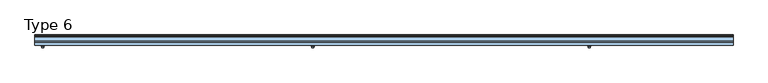
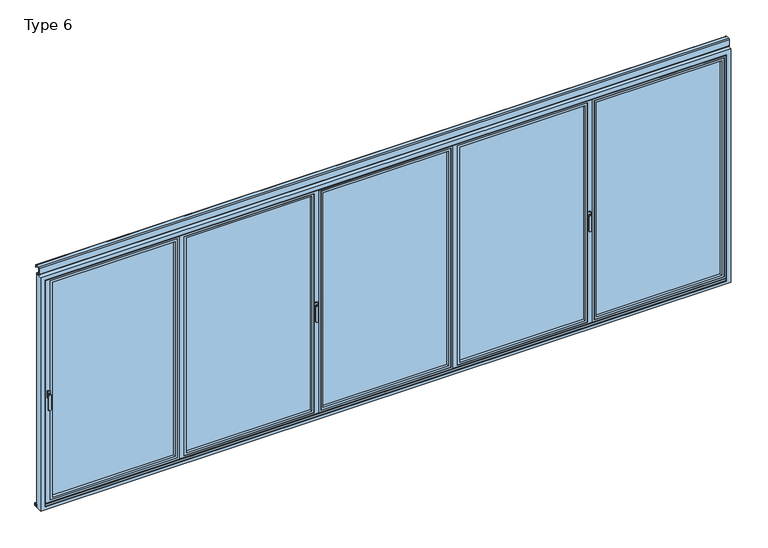
"""IFC4 building model written with IfcOpenShell, lengths in millimetres: window geometry, Type 6."""

from ifc_helpers import new_model, si_unit, point, frame, frame_2d, origin, place, context, project, spatial, polyline, circle_curve, trimmed, segment, composite_curve, outline, extrude, faceted_brep, source, transform, mapped, element, save
from ifc_brep_helpers import plane_surface, revolved_surface, advanced_brep


def type_6_9478b63a(model_context):
    return source(origin(), model_context, "Body", "SolidModel", [
        advanced_brep(
        [(-2914.0, 104.0, 896.6867153), (-2932.0, 104.0, 896.6867153), (-2932.0, 104.0, 1028.0), (-2914.0, 104.0, 1028.0), (-2913.0, 96.5, 896.6867153), (-2913.0, 96.5, 1028.0), (-2933.0, 96.5, 1028.0), (-2933.0, 96.5, 896.6867153), (-2912.0, 89.0, 1028.0), (-2934.0, 89.0, 1028.0)],
        [
            (0, 1, circle_curve(frame((-2923.0, 104.0, 896.6867153), z_axis=(0.0, 1.0, 0.0), x_axis=(1.0, 0.0, 0.0)), 9.0)),
            (1, 2),
            (2, 3, circle_curve(frame((-2923.0, 104.0, 1028.0), z_axis=(0.0, 1.0, 0.0), x_axis=(-1.0, 0.0, 0.0)), 9.0)),
            (3, 0),
            (4, 5),
            (5, 6, circle_curve(frame((-2923.0, 96.5, 1028.0), z_axis=(0.0, 1.0, 0.0), x_axis=(-1.0, 0.0, 0.0)), 10.0)),
            (6, 7),
            (7, 4, circle_curve(frame((-2923.0, 96.5, 896.6867153), z_axis=(0.0, -1.0, 0.0), x_axis=(1.0, 0.0, 0.0)), 10.0)),
            (0, 4),
            (7, 1),
            (6, 2),
            (6, 5, circle_curve(frame((-2923.0, 96.5, 1028.0), z_axis=(0.0, 1.0, 0.0), x_axis=(-1.0, 0.0, 0.0)), 10.0)),
            (5, 3),
            (8, 9, circle_curve(frame((-2923.0, 89.0, 1028.0), z_axis=(0.0, -1.0, 0.0), x_axis=(1.0, 0.0, 0.0)), 11.0)),
            (9, 8, circle_curve(frame((-2923.0, 89.0, 1028.0), z_axis=(0.0, -1.0, 0.0), x_axis=(-1.0, 0.0, 0.0)), 11.0)),
            (8, 5),
            (6, 9),
        ],
        [
            plane_surface(frame((-2923.0, 104.0, 962.3433576), z_axis=(0.0, 1.0, 0.0), x_axis=(0.0, 0.0, -1.0))),
            plane_surface(frame((-2923.0, 96.5, 962.3433576), z_axis=(0.0, -1.0, 0.0), x_axis=(0.0, 0.0, -1.0))),
            revolved_surface(polyline([(-2914.0, 104.0, 896.6867153), (-2913.0, 96.5, 896.6867153)]), (-2923.0, 171.5, 896.6867153), (0.0, -1.0, 0.0)),
            plane_surface(frame((-2933.0, 96.5, 962.3433576), z_axis=(-0.9912279006826299, 0.13216372009105404, 0.0), x_axis=(0.0, 0.0, 1.0))),
            revolved_surface(polyline([(-2932.0, 104.0, 1028.0), (-2933.0, 96.5, 1028.0)]), (-2923.0, 171.5, 1028.0), (0.0, -1.0, 0.0)),
            plane_surface(frame((-2913.0, 96.5, 962.3433576), z_axis=(0.9912279006826269, 0.1321637200910767, 0.0), x_axis=(0.0, 0.0, -1.0))),
            plane_surface(frame((-2923.0, 89.0, 1028.0), z_axis=(0.0, -1.0, 0.0), x_axis=(0.0, 0.0, 1.0))),
            revolved_surface(polyline([(-2933.0, 96.5, 1028.0), (-2934.0, 89.0, 1028.0)]), (-2923.0, 171.5, 1028.0), (0.0, -1.0, 0.0)),
            revolved_surface(polyline([(-2913.0, 96.5, 1028.0), (-2912.0, 89.0, 1028.0)]), (-2923.0, 171.5, 1028.0), (0.0, -1.0, 0.0)),
        ],
        [
            (0, [[1, 2, 3, 4]]),
            (1, [[5, 6, 7, 8]]),
            (2, [[-1, 9, -8, 10]]),
            (3, [[-2, -10, -7, 11]]),
            (4, [[-3, -11, 12, 13]]),
            (5, [[-4, -13, -5, -9]]),
            (6, [[14, 15]]),
            (7, [[-14, 16, -12, 17]]),
            (8, [[-15, -17, -6, -16]]),
        ],
    ),
        extrude(outline(polyline([(-2935.0, 89.0), (-2911.0, 89.0), (-2911.0, 80.0), (-2935.0, 80.0), (-2935.0, 89.0)])), frame((0.0, 0.0, 998.0), z_axis=(0.0, 0.0, 1.0), x_axis=(1.0, 0.0, 0.0)), (0.0, 0.0, 1.0), 60.0),
        advanced_brep(
        [(-2914.0, -4.0, 896.6867153), (-2914.0, -4.0, 1028.0), (-2932.0, -4.0, 1028.0), (-2932.0, -4.0, 896.6867153), (-2913.0, 3.5, 896.6867153), (-2933.0, 3.5, 896.6867153), (-2933.0, 3.5, 1028.0), (-2913.0, 3.5, 1028.0), (-2912.0, 11.0, 1028.0), (-2934.0, 11.0, 1028.0)],
        [
            (0, 1),
            (1, 2, circle_curve(frame((-2923.0, -4.0, 1028.0), z_axis=(0.0, -1.0, 0.0), x_axis=(-1.0, 0.0, 0.0)), 9.0)),
            (2, 3),
            (3, 0, circle_curve(frame((-2923.0, -4.0, 896.6867153), z_axis=(0.0, -1.0, 0.0), x_axis=(1.0, 0.0, 0.0)), 9.0)),
            (4, 5, circle_curve(frame((-2923.0, 3.5, 896.6867153), z_axis=(0.0, 1.0, 0.0), x_axis=(1.0, 0.0, 0.0)), 10.0)),
            (5, 6),
            (6, 7, circle_curve(frame((-2923.0, 3.5, 1028.0), z_axis=(0.0, -1.0, 0.0), x_axis=(-1.0, 0.0, 0.0)), 10.0)),
            (7, 4),
            (3, 5),
            (4, 0),
            (2, 6),
            (1, 7),
            (7, 6, circle_curve(frame((-2923.0, 3.5, 1028.0), z_axis=(0.0, -1.0, 0.0), x_axis=(-1.0, 0.0, 0.0)), 10.0)),
            (8, 9, circle_curve(frame((-2923.0, 11.0, 1028.0), z_axis=(0.0, 1.0, 0.0), x_axis=(-1.0, 0.0, 0.0)), 11.0)),
            (9, 8, circle_curve(frame((-2923.0, 11.0, 1028.0), z_axis=(0.0, 1.0, 0.0), x_axis=(1.0, 0.0, 0.0)), 11.0)),
            (9, 6),
            (7, 8),
        ],
        [
            plane_surface(frame((-2923.0, -4.0, 962.3433576), z_axis=(0.0, -1.0, 0.0), x_axis=(0.0, 0.0, -1.0))),
            plane_surface(frame((-2923.0, 3.5, 962.3433576), z_axis=(0.0, 1.0, 0.0), x_axis=(0.0, 0.0, -1.0))),
            revolved_surface(polyline([(-2932.0, -4.0, 896.6867153), (-2933.0, 3.5, 896.6867153)]), (-2923.0, -71.5, 896.6867153), (0.0, 1.0, 0.0)),
            plane_surface(frame((-2933.0, 3.5, 962.3433576), z_axis=(-0.9912279006826277, -0.1321637200910704, 0.0), x_axis=(0.0, 0.0, 1.0))),
            revolved_surface(polyline([(-2914.0, -4.0, 1028.0), (-2913.0, 3.5, 1028.0)]), (-2923.0, -71.5, 1028.0), (0.0, 1.0, 0.0)),
            plane_surface(frame((-2913.0, 3.5, 962.3433576), z_axis=(0.9912279006826291, -0.1321637200910603, 0.0), x_axis=(0.0, 0.0, -1.0))),
            plane_surface(frame((-2923.0, 11.0, 1028.0), z_axis=(0.0, 1.0, 0.0), x_axis=(0.0, 0.0, 1.0))),
            revolved_surface(polyline([(-2933.0, 3.5, 1028.0), (-2934.0, 11.0, 1028.0)]), (-2923.0, -71.5, 1028.0), (0.0, 1.0, 0.0)),
            revolved_surface(polyline([(-2913.0, 3.5, 1028.0), (-2912.0, 11.0, 1028.0)]), (-2923.0, -71.5, 1028.0), (0.0, 1.0, 0.0)),
        ],
        [
            (0, [[1, 2, 3, 4]]),
            (1, [[5, 6, 7, 8]]),
            (2, [[9, -5, 10, -4]]),
            (3, [[11, -6, -9, -3]]),
            (4, [[12, 13, -11, -2]]),
            (5, [[-10, -8, -12, -1]]),
            (6, [[14, 15]]),
            (7, [[16, -13, 17, -15]]),
            (8, [[-17, -7, -16, -14]]),
        ],
    ),
        extrude(outline(polyline([(-2935.0, 11.0), (-2935.0, 20.0), (-2911.0, 20.0), (-2911.0, 11.0), (-2935.0, 11.0)])), frame((0.0, 0.0, 998.0), z_axis=(0.0, 0.0, 1.0), x_axis=(1.0, 0.0, 0.0)), (0.0, 0.0, 1.0), 60.0),
        extrude(outline(polyline([(-2955.0009231, 73.0), (-2930.0, 73.0), (-2930.0, 27.0), (-2955.0009231, 27.0), (-2955.0009231, 73.0)])), frame((0.0, 0.0, 25.0), z_axis=(0.0, 0.0, 1.0), x_axis=(1.0, 0.0, 0.0)), (0.0, 0.0, 1.0), 2055.0),
        faceted_brep([(-2970.0, 80.0, 10.0), (-2970.0, 80.0, 35.0), (-2970.0, 80.0, 2070.0), (-2970.0, 80.0, 2095.0), (-1766.0, 80.0, 2095.0), (-1766.0, 80.0, 2070.0), (-1766.0, 80.0, 35.0), (-1766.0, 80.0, 10.0), (-1828.5, 80.0, 72.5), (-1828.5, 80.0, 2032.5), (-2882.5, 80.0, 2032.5), (-2882.5, 80.0, 72.5), (-1791.0, 20.0, 2070.0), (-1796.0, 20.0, 2070.0), (-2945.0, 20.0, 2070.0), (-2945.0, 20.0, 35.0), (-1796.0, 20.0, 35.0), (-1791.0, 20.0, 35.0), (-2905.0, 20.0, 50.0), (-2905.0, 20.0, 2055.0), (-1806.0, 20.0, 2055.0), (-1806.0, 20.0, 50.0), (-1806.0, 72.75, 2055.0), (-1806.0, 72.75, 50.0), (-2905.0, 72.75, 50.0), (-2905.0, 72.75, 2055.0), (-2882.5, 72.75, 72.5), (-2882.5, 72.75, 2032.5), (-1828.5, 72.75, 2032.5), (-1828.5, 72.75, 72.5), (-1781.0, 73.0, 25.0), (-1781.0, 73.0, 35.0), (-1781.0, 73.0, 2070.0), (-1781.0, 73.0, 2080.0), (-1781.0, 27.0, 2080.0), (-1781.0, 27.0, 25.0), (-2930.0, 27.0, 25.0), (-2930.0, 73.0, 25.0), (-2930.0, 27.0, 35.0), (-2930.0, 27.0, 2070.0), (-2930.0, 27.0, 2080.0), (-2930.0, 73.0, 2080.0), (-2930.0, 73.0, 2070.0), (-2930.0, 73.0, 35.0), (-1796.0, 27.0, 2070.0), (-1791.0, 27.0, 2070.0), (-1791.0, 27.0, 35.0), (-1796.0, 27.0, 35.0), (-1766.0, 73.0, 10.0), (-2970.0, 73.0, 10.0), (-2945.0, 27.0, 35.0), (-1766.0, 73.0, 35.0), (-1766.0, 73.0, 2070.0), (-1766.0, 73.0, 2095.0), (-2970.0, 73.0, 2095.0), (-2970.0, 73.0, 2070.0), (-2970.0, 73.0, 35.0), (-2945.0, 27.0, 2070.0)], [[[0, 1, 2, 3, 4, 5, 6, 7], [8, 9, 10, 11]], [[12, 13, 14, 15, 16, 17], [18, 19, 20, 21]], [[21, 20, 22, 23]], [[23, 24, 18, 21]], [[24, 25, 19, 18]], [[23, 22, 25, 24], [26, 27, 28, 29]], [[29, 28, 9, 8]], [[8, 11, 26, 29]], [[11, 10, 27, 26]], [[25, 22, 20, 19]], [[10, 9, 28, 27]], [[30, 31, 32, 33, 34, 35]], [[35, 36, 37, 30]], [[36, 38, 39, 40, 41, 42, 43, 37]], [[35, 34, 40, 39, 44, 45, 46, 47, 38, 36]], [[40, 34, 33, 41]], [[17, 46, 45, 12]], [[48, 49, 0, 7]], [[17, 16, 15, 50, 38, 47, 46]], [[48, 51, 52, 53, 54, 55, 56, 49], [37, 43, 42, 41, 33, 32, 31, 30]], [[4, 3, 54, 53]], [[45, 44, 39, 57, 14, 13, 12]], [[53, 52, 51, 48, 7, 6, 5, 4]], [[49, 56, 55, 54, 3, 2, 1, 0]], [[15, 14, 57, 50]], [[57, 39, 38, 50]]]),
        extrude(outline(polyline([(-1806.0, 72.75), (-1806.0, 44.75), (-2905.0, 44.75), (-2905.0, 72.75), (-1806.0, 72.75)])), frame((0.0, 0.0, 50.0), z_axis=(0.0, 0.0, 1.0), x_axis=(1.0, 0.0, 0.0)), (0.0, 0.0, 1.0), 2005.0),
        extrude(outline(polyline([(2055.0, -1806.0), (2055.0, -2905.0), (50.0, -2905.0), (50.0, -1806.0), (2055.0, -1806.0)]), holes=[polyline([(2035.0009231, -2885.0009231), (2035.0009231, -1825.9990769), (69.9990769, -1825.9990769), (69.9990769, -2885.0009231), (2035.0009231, -2885.0009231)])]), frame((0.0, 20.5, 0.0), z_axis=(0.0, 1.0, 0.0), x_axis=(0.0, 0.0, 1.0)), (0.0, 0.0, 1.0), 24.25),
        extrude(outline(composite_curve([segment(trimmed(circle_curve(frame_2d((-1763.5, 93.5)), 10.0), [point((-1753.5, 93.5))], [point((-1773.5, 93.5))], False, "CARTESIAN"), True, "CONTINUOUS"), segment(trimmed(circle_curve(frame_2d((-1763.5, 93.5)), 10.0), [point((-1773.5, 93.5))], [point((-1753.5, 93.5))], False, "CARTESIAN"), True, "CONTINUOUS")], self_intersect=False)), frame((0.0, 0.0, -12.0640378), z_axis=(0.0, 0.0, 1.0), x_axis=(1.0, 0.0, 0.0)), (0.0, 0.0, 1.0), 166.5636122),
        extrude(outline(composite_curve([segment(trimmed(circle_curve(frame_2d((-1763.5, 93.5)), 10.0), [point((-1773.5, 93.5))], [point((-1753.5, 93.5))], False, "CARTESIAN"), True, "CONTINUOUS"), segment(trimmed(circle_curve(frame_2d((-1763.5, 93.5)), 10.0), [point((-1753.5, 93.5))], [point((-1773.5, 93.5))], False, "CARTESIAN"), True, "CONTINUOUS")], self_intersect=False)), frame((0.0, 0.0, 1972.5), z_axis=(0.0, 0.0, 1.0), x_axis=(1.0, 0.0, 0.0)), (0.0, 0.0, 1.0), 153.5),
        advanced_brep(
        [(-618.5, -4.0, 896.6867153), (-600.5, -4.0, 896.6867153), (-600.5, -4.0, 1028.0), (-618.5, -4.0, 1028.0), (-619.5, 3.5, 896.6867153), (-619.5, 3.5, 1028.0), (-599.5, 3.5, 1028.0), (-599.5, 3.5, 896.6867153), (-620.5, 11.0, 1028.0), (-598.5, 11.0, 1028.0)],
        [
            (0, 1, circle_curve(frame((-609.5, -4.0, 896.6867153), z_axis=(0.0, -1.0, 0.0), x_axis=(-1.0, 0.0, 0.0)), 9.0)),
            (1, 2),
            (2, 3, circle_curve(frame((-609.5, -4.0, 1028.0), z_axis=(0.0, -1.0, 0.0), x_axis=(1.0, 0.0, 0.0)), 9.0)),
            (3, 0),
            (4, 5),
            (5, 6, circle_curve(frame((-609.5, 3.5, 1028.0), z_axis=(0.0, -1.0, 0.0), x_axis=(1.0, 0.0, 0.0)), 10.0)),
            (6, 7),
            (7, 4, circle_curve(frame((-609.5, 3.5, 896.6867153), z_axis=(0.0, 1.0, 0.0), x_axis=(-1.0, 0.0, 0.0)), 10.0)),
            (0, 4),
            (7, 1),
            (6, 2),
            (6, 5, circle_curve(frame((-609.5, 3.5, 1028.0), z_axis=(0.0, -1.0, 0.0), x_axis=(1.0, 0.0, 0.0)), 10.0)),
            (5, 3),
            (8, 9, circle_curve(frame((-609.5, 11.0, 1028.0), z_axis=(0.0, 1.0, 0.0), x_axis=(-1.0, 0.0, 0.0)), 11.0)),
            (9, 8, circle_curve(frame((-609.5, 11.0, 1028.0), z_axis=(0.0, 1.0, 0.0), x_axis=(1.0, 0.0, 0.0)), 11.0)),
            (8, 5),
            (6, 9),
        ],
        [
            plane_surface(frame((-609.5, -4.0, 962.3433576), z_axis=(0.0, -1.0, 0.0), x_axis=(0.0, 0.0, -1.0))),
            plane_surface(frame((-609.5, 3.5, 962.3433576), z_axis=(0.0, 1.0, 0.0), x_axis=(0.0, 0.0, -1.0))),
            revolved_surface(polyline([(-618.5, -4.0, 896.6867153), (-619.5, 3.5, 896.6867153)]), (-609.5, -71.5, 896.6867153), (0.0, 1.0, 0.0)),
            plane_surface(frame((-599.5, 3.5, 962.3433576), z_axis=(0.9912279006826277, -0.1321637200910704, 0.0), x_axis=(0.0, 0.0, 1.0))),
            revolved_surface(polyline([(-600.5, -4.0, 1028.0), (-599.5, 3.5, 1028.0)]), (-609.5, -71.5, 1028.0), (0.0, 1.0, 0.0)),
            plane_surface(frame((-619.5, 3.5, 962.3433576), z_axis=(-0.9912279006826291, -0.1321637200910603, 0.0), x_axis=(0.0, 0.0, -1.0))),
            plane_surface(frame((-609.5, 11.0, 1028.0), z_axis=(0.0, 1.0, 0.0), x_axis=(0.0, 0.0, 1.0))),
            revolved_surface(polyline([(-599.5, 3.5, 1028.0), (-598.5, 11.0, 1028.0)]), (-609.5, -71.5, 1028.0), (0.0, 1.0, 0.0)),
            revolved_surface(polyline([(-619.5, 3.5, 1028.0), (-620.5, 11.0, 1028.0)]), (-609.5, -71.5, 1028.0), (0.0, 1.0, 0.0)),
        ],
        [
            (0, [[1, 2, 3, 4]]),
            (1, [[5, 6, 7, 8]]),
            (2, [[-1, 9, -8, 10]]),
            (3, [[-2, -10, -7, 11]]),
            (4, [[-3, -11, 12, 13]]),
            (5, [[-4, -13, -5, -9]]),
            (6, [[14, 15]]),
            (7, [[-14, 16, -12, 17]]),
            (8, [[-15, -17, -6, -16]]),
        ],
    ),
        extrude(outline(polyline([(-597.5, 11.0), (-621.5, 11.0), (-621.5, 20.0), (-597.5, 20.0), (-597.5, 11.0)])), frame((0.0, 0.0, 998.0), z_axis=(0.0, 0.0, 1.0), x_axis=(1.0, 0.0, 0.0)), (0.0, 0.0, 1.0), 60.0),
        faceted_brep([(-607.0, 80.0, 10.0), (-1761.0, 80.0, 10.0), (-1761.0, 80.0, 35.0), (-1761.0, 80.0, 2070.0), (-1761.0, 80.0, 2095.0), (-607.0, 80.0, 2095.0), (-607.0, 80.0, 2070.0), (-607.0, 80.0, 35.0), (-1723.5, 80.0, 72.5), (-644.5, 80.0, 72.5), (-644.5, 80.0, 2032.5), (-1723.5, 80.0, 2032.5), (-582.0, 20.0, 35.0), (-582.0, 20.0, 2070.0), (-1786.0, 20.0, 2070.0), (-1786.0, 20.0, 35.0), (-622.0, 20.0, 50.0), (-1746.0, 20.0, 50.0), (-1746.0, 20.0, 2055.0), (-622.0, 20.0, 2055.0), (-1746.0, 72.75, 50.0), (-1746.0, 72.75, 2055.0), (-622.0, 72.75, 50.0), (-622.0, 72.75, 2055.0), (-644.5, 72.75, 72.5), (-1723.5, 72.75, 72.5), (-1723.5, 72.75, 2032.5), (-644.5, 72.75, 2032.5), (-1761.0, 73.0, 2095.0), (-1761.0, 73.0, 10.0), (-1761.0, 73.0, 25.0), (-1761.0, 73.0, 35.0), (-1761.0, 73.0, 2070.0), (-1761.0, 73.0, 2080.0), (-607.0, 73.0, 10.0), (-607.0, 73.0, 2095.0), (-607.0, 73.0, 2080.0), (-607.0, 73.0, 2070.0), (-607.0, 73.0, 35.0), (-607.0, 73.0, 25.0), (-1771.0, 73.0, 25.0), (-1771.0, 73.0, 2080.0), (-597.0, 73.0, 2080.0), (-597.0, 73.0, 25.0), (-1771.0, 27.0, 25.0), (-1771.0, 27.0, 35.0), (-1771.0, 27.0, 2070.0), (-1771.0, 27.0, 2080.0), (-597.0, 27.0, 25.0), (-597.0, 27.0, 2080.0), (-597.0, 27.0, 2070.0), (-597.0, 27.0, 35.0), (-582.0, 27.0, 35.0), (-1786.0, 27.0, 35.0), (-582.0, 27.0, 2070.0), (-1786.0, 27.0, 2070.0)], [[[0, 1, 2, 3, 4, 5, 6, 7], [8, 9, 10, 11]], [[12, 13, 14, 15], [16, 17, 18, 19]], [[17, 20, 21, 18]], [[20, 17, 16, 22]], [[22, 16, 19, 23]], [[20, 22, 23, 21], [24, 25, 26, 27]], [[25, 8, 11, 26]], [[8, 25, 24, 9]], [[9, 24, 27, 10]], [[23, 19, 18, 21]], [[10, 27, 26, 11]], [[28, 4, 3, 2, 1, 29, 30, 31, 32, 33]], [[34, 0, 7, 6, 5, 35, 36, 37, 38, 39]], [[40, 41, 33, 32, 31, 30]], [[42, 43, 39, 38, 37, 36]], [[40, 44, 45, 46, 47, 41]], [[44, 40, 30, 39, 43, 48]], [[48, 43, 42, 49, 50, 51]], [[44, 48, 51, 45]], [[49, 47, 46, 50]], [[49, 42, 36, 33, 41, 47]], [[29, 1, 0, 34]], [[52, 12, 15, 53, 45, 51]], [[30, 29, 34, 39]], [[28, 33, 36, 35]], [[4, 28, 35, 5]], [[14, 13, 54, 50, 46, 55]], [[12, 52, 54, 13]], [[14, 55, 53, 15]], [[54, 52, 51, 50]], [[53, 55, 46, 45]]]),
        extrude(outline(polyline([(-1746.0, 72.75), (-622.0, 72.75), (-622.0, 44.75), (-1746.0, 44.75), (-1746.0, 72.75)])), frame((0.0, 0.0, 50.0), z_axis=(0.0, 0.0, 1.0), x_axis=(1.0, 0.0, 0.0)), (0.0, 0.0, 1.0), 2005.0),
        extrude(outline(polyline([(2055.0, -1746.0), (50.0, -1746.0), (50.0, -622.0), (2055.0, -622.0), (2055.0, -1746.0)]), holes=[polyline([(2035.0009231, -641.9990769), (69.9990769, -641.9990769), (69.9990769, -1726.0009231), (2035.0009231, -1726.0009231), (2035.0009231, -641.9990769)])]), frame((0.0, 20.5, 0.0), z_axis=(0.0, 1.0, 0.0), x_axis=(0.0, 0.0, 1.0)), (0.0, 0.0, 1.0), 24.25),
        extrude(outline(composite_curve([segment(trimmed(circle_curve(frame_2d((-1763.5, 93.5)), 10.0), [point((-1773.5, 93.5))], [point((-1753.5, 93.5))], False, "CARTESIAN"), True, "CONTINUOUS"), segment(trimmed(circle_curve(frame_2d((-1763.5, 93.5)), 10.0), [point((-1753.5, 93.5))], [point((-1773.5, 93.5))], False, "CARTESIAN"), True, "CONTINUOUS")], self_intersect=False)), frame((0.0, 0.0, -12.0640378), z_axis=(0.0, 0.0, 1.0), x_axis=(1.0, 0.0, 0.0)), (0.0, 0.0, 1.0), 166.5636122),
        extrude(outline(composite_curve([segment(trimmed(circle_curve(frame_2d((-1763.5, 93.5)), 10.0), [point((-1753.5, 93.5))], [point((-1773.5, 93.5))], False, "CARTESIAN"), True, "CONTINUOUS"), segment(trimmed(circle_curve(frame_2d((-1763.5, 93.5)), 10.0), [point((-1773.5, 93.5))], [point((-1753.5, 93.5))], False, "CARTESIAN"), True, "CONTINUOUS")], self_intersect=False)), frame((0.0, 0.0, 1972.5), z_axis=(0.0, 0.0, 1.0), x_axis=(1.0, 0.0, 0.0)), (0.0, 0.0, 1.0), 153.5),
        faceted_brep([(-602.0, 80.0, 10.0), (-602.0, 80.0, 35.0), (-602.0, 80.0, 2070.0), (-602.0, 80.0, 2095.0), (602.0, 80.0, 2095.0), (602.0, 80.0, 2070.0), (602.0, 80.0, 35.0), (602.0, 80.0, 10.0), (539.5, 80.0, 72.5), (539.5, 80.0, 2032.5), (-539.5, 80.0, 2032.5), (-539.5, 80.0, 72.5), (-577.0, 20.0, 35.0), (-572.0, 20.0, 35.0), (572.0, 20.0, 35.0), (577.0, 20.0, 35.0), (577.0, 20.0, 2070.0), (572.0, 20.0, 2070.0), (-572.0, 20.0, 2070.0), (-577.0, 20.0, 2070.0), (-562.0, 20.0, 50.0), (-562.0, 20.0, 2055.0), (562.0, 20.0, 2055.0), (562.0, 20.0, 50.0), (562.0, 72.75, 2055.0), (562.0, 72.75, 50.0), (-562.0, 72.75, 50.0), (-562.0, 72.75, 2055.0), (-539.5, 72.75, 72.5), (-539.5, 72.75, 2032.5), (539.5, 72.75, 2032.5), (539.5, 72.75, 72.5), (602.0, 73.0, 10.0), (-602.0, 73.0, 10.0), (-577.0, 27.0, 35.0), (-572.0, 27.0, 35.0), (572.0, 27.0, 35.0), (577.0, 27.0, 35.0), (587.0, 73.0, 25.0), (587.0, 73.0, 35.0), (587.0, 73.0, 2070.0), (587.0, 73.0, 2080.0), (587.0, 27.0, 2080.0), (587.0, 27.0, 25.0), (-587.0, 27.0, 25.0), (-587.0, 73.0, 25.0), (-587.0, 27.0, 2080.0), (-587.0, 73.0, 2080.0), (-587.0, 73.0, 2070.0), (-587.0, 73.0, 35.0), (-577.0, 27.0, 2070.0), (-572.0, 27.0, 2070.0), (572.0, 27.0, 2070.0), (577.0, 27.0, 2070.0), (602.0, 73.0, 35.0), (602.0, 73.0, 2070.0), (602.0, 73.0, 2095.0), (-602.0, 73.0, 2095.0), (-602.0, 73.0, 2070.0), (-602.0, 73.0, 35.0)], [[[0, 1, 2, 3, 4, 5, 6, 7], [8, 9, 10, 11]], [[12, 13, 14, 15, 16, 17, 18, 19], [20, 21, 22, 23]], [[23, 22, 24, 25]], [[25, 26, 20, 23]], [[26, 27, 21, 20]], [[25, 24, 27, 26], [28, 29, 30, 31]], [[31, 30, 9, 8]], [[8, 11, 28, 31]], [[11, 10, 29, 28]], [[27, 24, 22, 21]], [[10, 9, 30, 29]], [[32, 33, 0, 7]], [[15, 14, 13, 12, 34, 35, 36, 37]], [[38, 39, 40, 41, 42, 43]], [[43, 44, 45, 38]], [[44, 46, 47, 48, 49, 45]], [[46, 42, 41, 47]], [[43, 42, 46, 44], [37, 36, 35, 34, 50, 51, 52, 53]], [[19, 50, 34, 12]], [[15, 37, 53, 16]], [[32, 54, 55, 56, 57, 58, 59, 33], [45, 49, 48, 47, 41, 40, 39, 38]], [[4, 3, 57, 56]], [[19, 18, 17, 16, 53, 52, 51, 50]], [[56, 55, 54, 32, 7, 6, 5, 4]], [[33, 59, 58, 57, 3, 2, 1, 0]]]),
        extrude(outline(polyline([(562.0, 72.75), (562.0, 44.75), (-562.0, 44.75), (-562.0, 72.75), (562.0, 72.75)])), frame((0.0, 0.0, 50.0), z_axis=(0.0, 0.0, 1.0), x_axis=(1.0, 0.0, 0.0)), (0.0, 0.0, 1.0), 2005.0),
        extrude(outline(polyline([(2055.0, 562.0), (2055.0, -562.0), (50.0, -562.0), (50.0, 562.0), (2055.0, 562.0)]), holes=[polyline([(2035.0009231, -542.0009231), (2035.0009231, 542.0009231), (69.9990769, 542.0009231), (69.9990769, -542.0009231), (2035.0009231, -542.0009231)])]), frame((0.0, 20.5, 0.0), z_axis=(0.0, 1.0, 0.0), x_axis=(0.0, 0.0, 1.0)), (0.0, 0.0, 1.0), 24.25),
        extrude(outline(composite_curve([segment(trimmed(circle_curve(frame_2d((604.5, 93.5)), 10.0), [point((614.5, 93.5))], [point((594.5, 93.5))], False, "CARTESIAN"), True, "CONTINUOUS"), segment(trimmed(circle_curve(frame_2d((604.5, 93.5)), 10.0), [point((594.5, 93.5))], [point((614.5, 93.5))], False, "CARTESIAN"), True, "CONTINUOUS")], self_intersect=False)), frame((0.0, 0.0, -12.0640378), z_axis=(0.0, 0.0, 1.0), x_axis=(1.0, 0.0, 0.0)), (0.0, 0.0, 1.0), 166.5636122),
        extrude(outline(composite_curve([segment(trimmed(circle_curve(frame_2d((604.5, 93.5)), 10.0), [point((594.5, 93.5))], [point((614.5, 93.5))], False, "CARTESIAN"), True, "CONTINUOUS"), segment(trimmed(circle_curve(frame_2d((604.5, 93.5)), 10.0), [point((614.5, 93.5))], [point((594.5, 93.5))], False, "CARTESIAN"), True, "CONTINUOUS")], self_intersect=False)), frame((0.0, 0.0, 1972.5), z_axis=(0.0, 0.0, 1.0), x_axis=(1.0, 0.0, 0.0)), (0.0, 0.0, 1.0), 153.5),
        advanced_brep(
        [(1749.5, -4.0, 896.6867153), (1767.5, -4.0, 896.6867153), (1767.5, -4.0, 1028.0), (1749.5, -4.0, 1028.0), (1748.5, 3.5, 896.6867153), (1748.5, 3.5, 1028.0), (1768.5, 3.5, 1028.0), (1768.5, 3.5, 896.6867153), (1747.5, 11.0, 1028.0), (1769.5, 11.0, 1028.0)],
        [
            (0, 1, circle_curve(frame((1758.5, -4.0, 896.6867153), z_axis=(0.0, -1.0, 0.0), x_axis=(-1.0000000000000009, 0.0, 0.0)), 9.0)),
            (1, 2),
            (2, 3, circle_curve(frame((1758.5, -4.0, 1028.0), z_axis=(0.0, -1.0, 0.0), x_axis=(1.0000000000000009, 0.0, 0.0)), 9.0)),
            (3, 0),
            (4, 5),
            (5, 6, circle_curve(frame((1758.5, 3.5, 1028.0), z_axis=(0.0, -1.0, 0.0), x_axis=(1.0000000000000009, 0.0, 0.0)), 10.0)),
            (6, 7),
            (7, 4, circle_curve(frame((1758.5, 3.5, 896.6867153), z_axis=(0.0, 1.0, 0.0), x_axis=(-1.0000000000000009, 0.0, 0.0)), 10.0)),
            (0, 4),
            (7, 1),
            (6, 2),
            (6, 5, circle_curve(frame((1758.5, 3.5, 1028.0), z_axis=(0.0, -1.0, 0.0), x_axis=(1.0000000000000009, 0.0, 0.0)), 10.0)),
            (5, 3),
            (8, 9, circle_curve(frame((1758.5, 11.0, 1028.0), z_axis=(0.0, 1.0, 0.0), x_axis=(-1.0000000000000009, 0.0, 0.0)), 11.0)),
            (9, 8, circle_curve(frame((1758.5, 11.0, 1028.0), z_axis=(0.0, 1.0, 0.0), x_axis=(1.0000000000000009, 0.0, 0.0)), 11.0)),
            (8, 5),
            (6, 9),
        ],
        [
            plane_surface(frame((1758.5, -4.0, 962.3433576), z_axis=(0.0, -1.0, 0.0), x_axis=(0.0, 0.0, -1.0))),
            plane_surface(frame((1758.5, 3.5, 962.3433576), z_axis=(0.0, 1.0, 0.0), x_axis=(0.0, 0.0, -1.0))),
            revolved_surface(polyline([(1749.5, -4.0, 896.6867153), (1748.5, 3.5, 896.6867153)]), (1758.5, -71.5, 896.6867153), (0.0, 1.0000000000000009, 0.0)),
            plane_surface(frame((1768.5, 3.5, 962.3433576), z_axis=(0.9912279006826268, -0.1321637200910768, 0.0), x_axis=(0.0, 0.0, 1.0))),
            revolved_surface(polyline([(1767.5, -4.0, 1028.0), (1768.5, 3.5, 1028.0)]), (1758.5, -71.5, 1028.0), (0.0, 1.0000000000000009, 0.0)),
            plane_surface(frame((1748.5, 3.5, 962.3433576), z_axis=(-0.99122790068263, -0.13216372009105393, 0.0), x_axis=(0.0, 0.0, -1.0))),
            plane_surface(frame((1758.5, 11.0, 1028.0), z_axis=(0.0, 1.0, 0.0), x_axis=(0.0, 0.0, 1.0))),
            revolved_surface(polyline([(1768.5, 3.5, 1028.0), (1769.5, 11.0, 1028.0)]), (1758.5, -71.5, 1028.0), (0.0, 1.0000000000000009, 0.0)),
            revolved_surface(polyline([(1748.5, 3.5, 1028.0), (1747.5, 11.0, 1028.0)]), (1758.5, -71.5, 1028.0), (0.0, 1.0000000000000009, 0.0)),
        ],
        [
            (0, [[1, 2, 3, 4]]),
            (1, [[5, 6, 7, 8]]),
            (2, [[-1, 9, -8, 10]]),
            (3, [[-2, -10, -7, 11]]),
            (4, [[-3, -11, 12, 13]]),
            (5, [[-4, -13, -5, -9]]),
            (6, [[14, 15]]),
            (7, [[-14, 16, -12, 17]]),
            (8, [[-15, -17, -6, -16]]),
        ],
    ),
        extrude(outline(polyline([(1770.5, 11.0), (1746.5, 11.0), (1746.5, 20.0), (1770.5, 20.0), (1770.5, 11.0)])), frame((0.0, 0.0, 998.0), z_axis=(0.0, 0.0, 1.0), x_axis=(1.0, 0.0, 0.0)), (0.0, 0.0, 1.0), 60.0),
        faceted_brep([(1761.0, 80.0, 10.0), (607.0, 80.0, 10.0), (607.0, 80.0, 35.0), (607.0, 80.0, 2070.0), (607.0, 80.0, 2095.0), (1761.0, 80.0, 2095.0), (1761.0, 80.0, 2070.0), (1761.0, 80.0, 35.0), (644.5, 80.0, 72.5), (1723.5, 80.0, 72.5), (1723.5, 80.0, 2032.5), (644.5, 80.0, 2032.5), (1786.0, 20.0, 35.0), (1786.0, 20.0, 2070.0), (582.0, 20.0, 2070.0), (582.0, 20.0, 35.0), (1746.0, 20.0, 50.0), (622.0, 20.0, 50.0), (622.0, 20.0, 2055.0), (1746.0, 20.0, 2055.0), (622.0, 72.75, 50.0), (622.0, 72.75, 2055.0), (1746.0, 72.75, 50.0), (1746.0, 72.75, 2055.0), (1723.5, 72.75, 72.5), (644.5, 72.75, 72.5), (644.5, 72.75, 2032.5), (1723.5, 72.75, 2032.5), (607.0, 73.0, 10.0), (1761.0, 73.0, 10.0), (1786.0, 27.0, 35.0), (582.0, 27.0, 35.0), (597.0, 27.0, 35.0), (1771.0, 27.0, 35.0), (597.0, 73.0, 25.0), (597.0, 73.0, 2080.0), (607.0, 73.0, 2080.0), (607.0, 73.0, 2070.0), (607.0, 73.0, 35.0), (607.0, 73.0, 25.0), (1771.0, 73.0, 2080.0), (1771.0, 73.0, 25.0), (1761.0, 73.0, 25.0), (1761.0, 73.0, 35.0), (1761.0, 73.0, 2070.0), (1761.0, 73.0, 2080.0), (597.0, 27.0, 25.0), (597.0, 27.0, 2070.0), (597.0, 27.0, 2080.0), (1771.0, 27.0, 25.0), (1771.0, 27.0, 2080.0), (1771.0, 27.0, 2070.0), (1786.0, 27.0, 2070.0), (582.0, 27.0, 2070.0), (607.0, 73.0, 2095.0), (1761.0, 73.0, 2095.0)], [[[0, 1, 2, 3, 4, 5, 6, 7], [8, 9, 10, 11]], [[12, 13, 14, 15], [16, 17, 18, 19]], [[17, 20, 21, 18]], [[20, 17, 16, 22]], [[22, 16, 19, 23]], [[20, 22, 23, 21], [24, 25, 26, 27]], [[25, 8, 11, 26]], [[8, 25, 24, 9]], [[9, 24, 27, 10]], [[23, 19, 18, 21]], [[10, 27, 26, 11]], [[28, 1, 0, 29]], [[30, 12, 15, 31, 32, 33]], [[34, 35, 36, 37, 38, 39]], [[40, 41, 42, 43, 44, 45]], [[34, 46, 32, 47, 48, 35]], [[46, 34, 39, 42, 41, 49]], [[49, 41, 40, 50, 51, 33]], [[46, 49, 33, 32]], [[50, 48, 47, 51]], [[50, 40, 45, 36, 35, 48]], [[14, 13, 52, 51, 47, 53]], [[54, 4, 3, 2, 1, 28, 39, 38, 37, 36]], [[29, 0, 7, 6, 5, 55, 45, 44, 43, 42]], [[39, 28, 29, 42]], [[54, 36, 45, 55]], [[4, 54, 55, 5]], [[12, 30, 52, 13]], [[14, 53, 31, 15]], [[52, 30, 33, 51]], [[31, 53, 47, 32]]]),
        extrude(outline(polyline([(622.0, 72.75), (1746.0, 72.75), (1746.0, 44.75), (622.0, 44.75), (622.0, 72.75)])), frame((0.0, 0.0, 50.0), z_axis=(0.0, 0.0, 1.0), x_axis=(1.0, 0.0, 0.0)), (0.0, 0.0, 1.0), 2005.0),
        extrude(outline(polyline([(2055.0, 622.0), (50.0, 622.0), (50.0, 1746.0), (2055.0, 1746.0), (2055.0, 622.0)]), holes=[polyline([(2035.0009231, 1726.0009231), (69.9990769, 1726.0009231), (69.9990769, 641.9990769), (2035.0009231, 641.9990769), (2035.0009231, 1726.0009231)])]), frame((0.0, 20.5, 0.0), z_axis=(0.0, 1.0, 0.0), x_axis=(0.0, 0.0, 1.0)), (0.0, 0.0, 1.0), 24.25),
        extrude(outline(composite_curve([segment(trimmed(circle_curve(frame_2d((604.5, 93.5)), 10.0), [point((594.5, 93.5))], [point((614.5, 93.5))], False, "CARTESIAN"), True, "CONTINUOUS"), segment(trimmed(circle_curve(frame_2d((604.5, 93.5)), 10.0), [point((614.5, 93.5))], [point((594.5, 93.5))], False, "CARTESIAN"), True, "CONTINUOUS")], self_intersect=False)), frame((0.0, 0.0, -12.0640378), z_axis=(0.0, 0.0, 1.0), x_axis=(1.0, 0.0, 0.0)), (0.0, 0.0, 1.0), 166.5636122),
        extrude(outline(composite_curve([segment(trimmed(circle_curve(frame_2d((604.5, 93.5)), 10.0), [point((614.5, 93.5))], [point((594.5, 93.5))], False, "CARTESIAN"), True, "CONTINUOUS"), segment(trimmed(circle_curve(frame_2d((604.5, 93.5)), 10.0), [point((594.5, 93.5))], [point((614.5, 93.5))], False, "CARTESIAN"), True, "CONTINUOUS")], self_intersect=False)), frame((0.0, 0.0, 1972.5), z_axis=(0.0, 0.0, 1.0), x_axis=(1.0, 0.0, 0.0)), (0.0, 0.0, 1.0), 153.5),
        faceted_brep([(1766.0, 80.0, 10.0), (1766.0, 80.0, 35.0), (1766.0, 80.0, 2070.0), (1766.0, 80.0, 2095.0), (2970.0, 80.0, 2095.0), (2970.0, 80.0, 2070.0), (2970.0, 80.0, 35.0), (2970.0, 80.0, 10.0), (2907.5, 80.0, 72.5), (2907.5, 80.0, 2032.5), (1828.5, 80.0, 2032.5), (1828.5, 80.0, 72.5), (1791.0, 20.0, 35.0), (1796.0, 20.0, 35.0), (2940.0, 20.0, 35.0), (2945.0, 20.0, 35.0), (2945.0, 20.0, 2070.0), (2940.0, 20.0, 2070.0), (1796.0, 20.0, 2070.0), (1791.0, 20.0, 2070.0), (1806.0, 20.0, 50.0), (1806.0, 20.0, 2055.0), (2930.0, 20.0, 2055.0), (2930.0, 20.0, 50.0), (2930.0, 72.75, 2055.0), (2930.0, 72.75, 50.0), (1806.0, 72.75, 50.0), (1806.0, 72.75, 2055.0), (1828.5, 72.75, 72.5), (1828.5, 72.75, 2032.5), (2907.5, 72.75, 2032.5), (2907.5, 72.75, 72.5), (2970.0, 73.0, 10.0), (1766.0, 73.0, 10.0), (1791.0, 27.0, 35.0), (1796.0, 27.0, 35.0), (2940.0, 27.0, 35.0), (2945.0, 27.0, 35.0), (2955.0, 73.0, 25.0), (2955.0, 73.0, 35.0), (2955.0, 73.0, 2070.0), (2955.0, 73.0, 2080.0), (2955.0, 27.0, 2080.0), (2955.0, 27.0, 25.0), (1781.0, 27.0, 25.0), (1781.0, 73.0, 25.0), (1781.0, 27.0, 2080.0), (1781.0, 73.0, 2080.0), (1781.0, 73.0, 2070.0), (1781.0, 73.0, 35.0), (1791.0, 27.0, 2070.0), (1796.0, 27.0, 2070.0), (2940.0, 27.0, 2070.0), (2945.0, 27.0, 2070.0), (2970.0, 73.0, 35.0), (2970.0, 73.0, 2070.0), (2970.0, 73.0, 2095.0), (1766.0, 73.0, 2095.0), (1766.0, 73.0, 2070.0), (1766.0, 73.0, 35.0)], [[[0, 1, 2, 3, 4, 5, 6, 7], [8, 9, 10, 11]], [[12, 13, 14, 15, 16, 17, 18, 19], [20, 21, 22, 23]], [[23, 22, 24, 25]], [[25, 26, 20, 23]], [[26, 27, 21, 20]], [[25, 24, 27, 26], [28, 29, 30, 31]], [[31, 30, 9, 8]], [[8, 11, 28, 31]], [[11, 10, 29, 28]], [[27, 24, 22, 21]], [[10, 9, 30, 29]], [[32, 33, 0, 7]], [[15, 14, 13, 12, 34, 35, 36, 37]], [[38, 39, 40, 41, 42, 43]], [[43, 44, 45, 38]], [[44, 46, 47, 48, 49, 45]], [[46, 42, 41, 47]], [[43, 42, 46, 44], [37, 36, 35, 34, 50, 51, 52, 53]], [[19, 50, 34, 12]], [[15, 37, 53, 16]], [[32, 54, 55, 56, 57, 58, 59, 33], [45, 49, 48, 47, 41, 40, 39, 38]], [[4, 3, 57, 56]], [[19, 18, 17, 16, 53, 52, 51, 50]], [[56, 55, 54, 32, 7, 6, 5, 4]], [[33, 59, 58, 57, 3, 2, 1, 0]]]),
        extrude(outline(polyline([(2930.0, 72.75), (2930.0, 44.75), (1806.0, 44.75), (1806.0, 72.75), (2930.0, 72.75)])), frame((0.0, 0.0, 50.0), z_axis=(0.0, 0.0, 1.0), x_axis=(1.0, 0.0, 0.0)), (0.0, 0.0, 1.0), 2005.0),
        extrude(outline(polyline([(2055.0, 2930.0), (2055.0, 1806.0), (50.0, 1806.0), (50.0, 2930.0), (2055.0, 2930.0)]), holes=[polyline([(2035.0009231, 1825.9990769), (2035.0009231, 2910.0009231), (69.9990769, 2910.0009231), (69.9990769, 1825.9990769), (2035.0009231, 1825.9990769)])]), frame((0.0, 20.5, 0.0), z_axis=(0.0, 1.0, 0.0), x_axis=(0.0, 0.0, 1.0)), (0.0, 0.0, 1.0), 24.25),
        extrude(outline(composite_curve([segment(trimmed(circle_curve(frame_2d((2972.5, 93.5)), 10.0), [point((2982.5, 93.5))], [point((2962.5, 93.5))], False, "CARTESIAN"), True, "CONTINUOUS"), segment(trimmed(circle_curve(frame_2d((2972.5, 93.5)), 10.0), [point((2962.5, 93.5))], [point((2982.5, 93.5))], False, "CARTESIAN"), True, "CONTINUOUS")], self_intersect=False)), frame((0.0, 0.0, -12.0640378), z_axis=(0.0, 0.0, 1.0), x_axis=(1.0, 0.0, 0.0)), (0.0, 0.0, 1.0), 166.5636122),
        extrude(outline(composite_curve([segment(trimmed(circle_curve(frame_2d((2972.5, 93.5)), 10.0), [point((2962.5, 93.5))], [point((2982.5, 93.5))], False, "CARTESIAN"), True, "CONTINUOUS"), segment(trimmed(circle_curve(frame_2d((2972.5, 93.5)), 10.0), [point((2982.5, 93.5))], [point((2962.5, 93.5))], False, "CARTESIAN"), True, "CONTINUOUS")], self_intersect=False)), frame((0.0, 0.0, 1972.5), z_axis=(0.0, 0.0, 1.0), x_axis=(1.0, 0.0, 0.0)), (0.0, 0.0, 1.0), 153.5),
        extrude(outline(composite_curve([segment(polyline([(95.0, 2165.0), (91.0, 2165.0), (91.0, 2182.0)]), True, "CONTINUOUS"), segment(trimmed(circle_curve(frame_2d((87.0, 2182.0)), 4.0), [point((91.0, 2182.0))], [point((87.0, 2186.0))], True, "CARTESIAN"), True, "CONTINUOUS"), segment(polyline([(87.0, 2186.0), (53.0, 2186.0)]), True, "CONTINUOUS"), segment(trimmed(circle_curve(frame_2d((53.0, 2182.0)), 4.0), [point((53.0, 2186.0))], [point((49.0, 2182.0))], True, "CARTESIAN"), True, "CONTINUOUS"), segment(polyline([(49.0, 2182.0), (49.0, 2128.0)]), True, "CONTINUOUS"), segment(trimmed(circle_curve(frame_2d((53.0, 2128.0)), 4.0), [point((49.0, 2128.0))], [point((53.0, 2124.0))], True, "CARTESIAN"), True, "CONTINUOUS"), segment(polyline([(53.0, 2124.0), (80.0, 2124.0), (80.0, 2115.0), (58.5, 2115.0), (58.5, 2120.0), (53.0, 2120.0)]), True, "CONTINUOUS"), segment(trimmed(circle_curve(frame_2d((53.0, 2128.0)), 8.0), [point((53.0, 2120.0))], [point((45.0, 2128.0))], False, "CARTESIAN"), True, "CONTINUOUS"), segment(polyline([(45.0, 2128.0), (45.0, 2182.0)]), True, "CONTINUOUS"), segment(trimmed(circle_curve(frame_2d((53.0, 2182.0)), 8.0), [point((45.0, 2182.0))], [point((53.0, 2190.0))], False, "CARTESIAN"), True, "CONTINUOUS"), segment(polyline([(53.0, 2190.0), (87.0, 2190.0)]), True, "CONTINUOUS"), segment(trimmed(circle_curve(frame_2d((87.0, 2182.0)), 8.0), [point((87.0, 2190.0))], [point((95.0, 2182.0))], False, "CARTESIAN"), True, "CONTINUOUS"), segment(polyline([(95.0, 2182.0), (95.0, 2165.0)]), True, "CONTINUOUS")], self_intersect=False)), frame((-2990.0, 0.0, 0.0), z_axis=(1.0, 0.0, 0.0), x_axis=(0.0, 1.0, 0.0)), (0.0, 0.0, 1.0), 5980.0),
        extrude(outline(polyline([(82.5218516, 1.0), (82.5218516, -19.0), (103.5218516, -19.0), (103.5218516, 1.0), (106.5218516, 1.0), (106.5218516, -22.0), (80.0, -22.0), (80.0, 1.0), (82.5218516, 1.0)])), frame((-2990.0, 0.0, 0.0), z_axis=(1.0, 0.0, 0.0), x_axis=(0.0, 1.0, 0.0)), (0.0, 0.0, 1.0), 5980.0),
        faceted_brep([(2990.0, 80.0, -22.0), (2990.0, 20.0, -22.0), (-2990.0, 20.0, -22.0), (-2990.0, 80.0, -22.0), (2990.0, 20.0, 2115.0), (2990.0, 80.0, 2115.0), (-2990.0, 20.0, 2115.0), (2950.0, 20.0, 2075.0), (2950.0, 20.0, 2.0), (-2950.0, 20.0, 2.0), (-2950.0, 20.0, 2075.0), (-2990.0, 80.0, 2115.0), (-2975.0, 80.0, 2100.0), (-2975.0, 80.0, 2.0), (2975.0, 80.0, 2.0), (2975.0, 80.0, 2100.0), (-2975.0, 73.0, 2100.0), (-2975.0, 73.0, 2.0), (2975.0, 73.0, 2.0), (2975.0, 73.0, 2100.0), (2950.0, 27.0, 2075.0), (2950.0, 27.0, 18.5), (2950.0, 23.5, 8.0), (2950.0, 23.5, 2.0), (-2950.0, 27.0, 2075.0), (-2950.0, 23.5, 2.0), (-2950.0, 23.5, 8.0), (-2950.0, 27.0, 18.5), (-2965.0, 27.0, 18.5), (-2965.0, 27.0, 2090.0), (2965.0, 27.0, 2090.0), (2965.0, 27.0, 18.5), (2965.0, 73.0, 2090.0), (2965.0, 73.0, 14.5), (2965.0, 37.849718, 14.5), (2965.0, 33.0276133, 18.5), (-2965.0, 73.0, 2090.0), (-2965.0, 33.0276133, 18.5), (-2965.0, 37.849718, 14.5), (-2965.0, 73.0, 14.5)], [[[0, 1, 2, 3]], [[4, 1, 0, 5]], [[2, 1, 4, 6], [7, 8, 9, 10]], [[2, 6, 11, 3]], [[0, 3, 11, 5], [12, 13, 14, 15]], [[12, 16, 17, 13]], [[18, 19, 15, 14]], [[7, 20, 21, 22, 23, 8]], [[24, 10, 9, 25, 26, 27]], [[20, 24, 27, 28, 29, 30, 31, 21]], [[30, 32, 33, 34, 35, 31]], [[36, 29, 28, 37, 38, 39]], [[16, 19, 18, 17], [32, 36, 39, 33]], [[12, 15, 19, 16]], [[5, 11, 6, 4]], [[7, 10, 24, 20]], [[30, 29, 36, 32]], [[14, 13, 17, 18]], [[9, 8, 23, 25]], [[21, 27, 26, 22]], [[25, 23, 22, 26]], [[27, 21, 31, 35, 37, 28]], [[33, 39, 38, 34]], [[37, 35, 34, 38]]]),
    ])


if __name__ == "__main__":
    model = new_model("IFC4")
    model_context = context("Model", 3, world=origin())
    ifc_project = project(units=[si_unit("LENGTHUNIT", "METRE", prefix="MILLI")], contexts=[model_context])
    site = spatial("IfcSite", under=ifc_project)
    building = spatial("IfcBuilding", under=site)
    placement = place(None, origin())
    type_6_shape = type_6_9478b63a(model_context)
    element("IfcWindow", 1, ObjectType="Type 6", at=placement, inside=building, context=model_context, shape_type="MappedRepresentation", body=[
        mapped(type_6_shape, transform((0.0, 0.0, 0.0), x_axis=(1.0, 0.0, 0.0), y_axis=(0.0, 1.0, 0.0), z_axis=(0.0, 0.0, 1.0))),
    ])
    save(model, "model.ifc")
